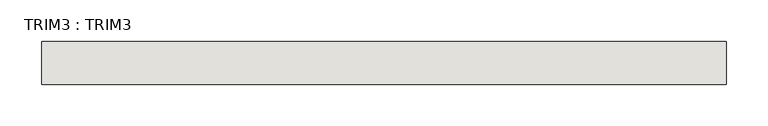
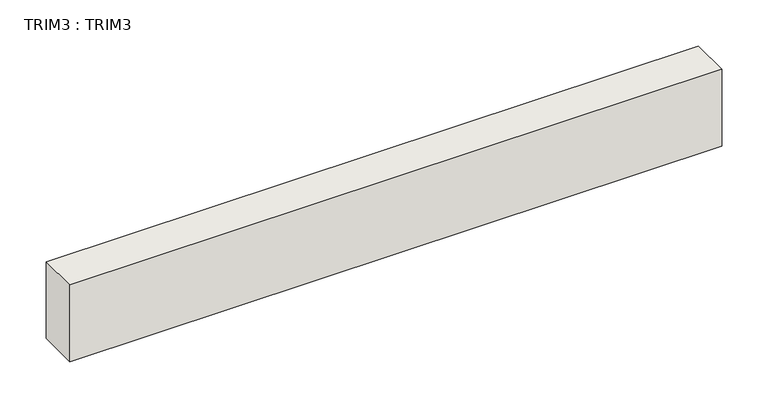
"""IFC4 building model written with IfcOpenShell, lengths in millimetres: wall geometry, TRIM3 : TRIM3."""

import ifcopenshell
import ifcopenshell.guid

model = None  # the IFC model being written
_history = None  # IfcOwnerHistory: only IFC2X3 demands one
_inside = {}  # id of a spatial element -> (the spatial element, [elements in it])
_under = {}  # id of a project, library or spatial element -> (it, [spatial elements below it])
_declared = {}  # id of a project -> (the project, [libraries it declares])
_typed = {}  # id of a type object -> (the type object, [elements of that type])
_made_of = {}  # id of a material, layer set ... -> (it, [elements and type objects made of it])


def new_model(schema):
    """Start an empty IFC model of exactly this schema.

    Asked for "IFC4X3", IfcOpenShell would pick the latest addendum, in which some entities
    have other attributes; the version numbers below select the first issue.
    IFC2X3 requires an IfcOwnerHistory on every rooted entity: one is made here for all.
    """
    global model, _history
    if schema == "IFC4X3":
        model = ifcopenshell.file(schema_version=(4, 3, 0, 0))
    else:
        model = ifcopenshell.file(schema=schema)
    _inside.clear()
    _under.clear()
    _declared.clear()
    _typed.clear()
    _made_of.clear()
    _history = None
    if model.schema == "IFC2X3":
        org = make("IfcOrganization", Name="unknown")
        user = make(
            "IfcPersonAndOrganization",
            ThePerson=make("IfcPerson", FamilyName="unknown"),
            TheOrganization=org,
        )
        app = make(
            "IfcApplication",
            ApplicationDeveloper=org,
            Version="unknown",
            ApplicationFullName="unknown",
            ApplicationIdentifier="unknown",
        )
        _history = make(
            "IfcOwnerHistory",
            OwningUser=user,
            OwningApplication=app,
            ChangeAction="ADDED",
            CreationDate=0,
        )
    return model


def make(cls, **values):
    """One entity of the class cls with the attributes given. An attribute that is None is left unset."""
    return model.create_entity(
        cls, **{name: value for name, value in values.items() if value is not None}
    )


def rooted(cls, **values):
    """An entity with a GlobalId (a new one), such as an element, a storey or a relation."""
    return make(cls, GlobalId=ifcopenshell.guid.new(), OwnerHistory=_history, **values)


def si_unit(unit_type, name, prefix=None):
    """IfcSIUnit, for example si_unit("LENGTHUNIT", "METRE", prefix="MILLI")."""
    return make("IfcSIUnit", UnitType=unit_type, Prefix=prefix, Name=name)


def assignment(units):
    """IfcUnitAssignment: the units of a project."""
    return None if units is None else make("IfcUnitAssignment", Units=units)


def point(xyz):
    """IfcCartesianPoint."""
    return None if xyz is None else make("IfcCartesianPoint", Coordinates=xyz)


def direction(xyz):
    """IfcDirection."""
    return None if xyz is None else make("IfcDirection", DirectionRatios=xyz)


def frame(location, z_axis=None, x_axis=None):
    """IfcAxis2Placement3D, a coordinate frame: its origin and axes. An axis left out is left unset."""
    return make(
        "IfcAxis2Placement3D",
        Location=point(location),
        Axis=direction(z_axis),
        RefDirection=direction(x_axis),
    )


def origin():
    """The frame at (0, 0, 0) with its axes left unset."""
    return frame((0.0, 0.0, 0.0))


def place(relative_to, where):
    """IfcLocalPlacement: puts the frame where relative to a parent placement (None: the world)."""
    return make(
        "IfcLocalPlacement", PlacementRelTo=relative_to, RelativePlacement=where
    )


def context(
    kind, dimensions, precision=None, world=None, true_north=None, identifier=None
):
    """IfcGeometricRepresentationContext, for example the 3D "Model" context."""
    return make(
        "IfcGeometricRepresentationContext",
        ContextIdentifier=identifier,
        ContextType=kind,
        CoordinateSpaceDimension=dimensions,
        Precision=precision,
        WorldCoordinateSystem=world,
        TrueNorth=true_north,
    )


def project(units=None, contexts=None):
    """IfcProject with its units and contexts."""
    return rooted(
        "IfcProject",
        Name="project",
        RepresentationContexts=contexts,
        UnitsInContext=assignment(units),
    )


def spatial(cls, under=None, at=None, **own):
    """A site, building, storey or space (cls), placed at a placement, below another one or the project."""
    s = rooted(cls, ObjectPlacement=at, **own)
    if under is not None:
        _under.setdefault(under.id(), (under, []))[1].append(s)
    return s


def polyline(points):
    """IfcPolyline through the points."""
    return make("IfcPolyline", Points=[point(p) for p in points])


def outline(outer, holes=None, kind="AREA"):
    """IfcArbitraryClosedProfileDef: a profile drawn as a closed curve; with holes, ...WithVoids."""
    if holes is None:
        return make("IfcArbitraryClosedProfileDef", ProfileType=kind, OuterCurve=outer)
    return make(
        "IfcArbitraryProfileDefWithVoids",
        ProfileType=kind,
        OuterCurve=outer,
        InnerCurves=holes,
    )


def extrude(swept, where, along, depth):
    """IfcExtrudedAreaSolid: the profile swept, set in the frame where, extruded along a direction by depth."""
    return make(
        "IfcExtrudedAreaSolid",
        SweptArea=swept,
        Position=where,
        ExtrudedDirection=direction(along),
        Depth=depth,
    )


def shape(context_of_items, identifier, shape_type, items):
    """IfcShapeRepresentation: the items that make up one representation, for example the "Body"."""
    return make(
        "IfcShapeRepresentation",
        ContextOfItems=context_of_items,
        RepresentationIdentifier=identifier,
        RepresentationType=shape_type,
        Items=items,
    )


def source(mapping_origin, context_of_items, identifier, shape_type, items):
    """IfcRepresentationMap: a shape defined once, which mapped items show again and again."""
    return make(
        "IfcRepresentationMap",
        MappingOrigin=mapping_origin,
        MappedRepresentation=shape(context_of_items, identifier, shape_type, items),
    )


def transform(
    local_origin,
    x_axis=None,
    y_axis=None,
    z_axis=None,
    scale=None,
    scale2=None,
    scale3=None,
    uniform=True,
):
    """IfcCartesianTransformationOperator3D, or its non-uniform kind. x_axis, y_axis, z_axis: its Axis1, 2, 3."""
    if uniform:
        return make(
            "IfcCartesianTransformationOperator3D",
            Axis1=direction(x_axis),
            Axis2=direction(y_axis),
            LocalOrigin=point(local_origin),
            Scale=scale,
            Axis3=direction(z_axis),
        )
    return make(
        "IfcCartesianTransformationOperator3DnonUniform",
        Axis1=direction(x_axis),
        Axis2=direction(y_axis),
        LocalOrigin=point(local_origin),
        Scale=scale,
        Axis3=direction(z_axis),
        Scale2=scale2,
        Scale3=scale3,
    )


def mapped(mapping_source, mapping_target):
    """IfcMappedItem: shows the shape of a source again, moved by a transform."""
    return make(
        "IfcMappedItem", MappingSource=mapping_source, MappingTarget=mapping_target
    )


def made_of(thing, what):
    """Note that an element or type object is made of a material, layer set ...; save() writes the relation."""
    if what is not None:
        _made_of.setdefault(what.id(), (what, []))[1].append(thing)
    return thing


def element(
    cls,
    number,
    at=None,
    inside=None,
    cuts=None,
    type_object=None,
    material=None,
    context=None,
    identifier="Body",
    shape_type=None,
    held_by="IfcProductDefinitionShape",
    body=None,
    shapes=None,
    **own,
):
    """One element of the class cls, such as IfcWall. Its Tag is "e" and its number.

    at: its placement. inside: the storey or other place that contains it. cuts: it is an
    opening in that element (IfcRelVoidsElement). A single representation is given by context,
    identifier, shape_type and body (its items); several are given by shapes. held_by: the class
    of the entity that holds the representations. save() writes the other relations.
    """
    e = rooted(cls, Tag="e%d" % number, ObjectPlacement=at, **own)
    if body is not None:
        shapes = [shape(context, identifier, shape_type, body)]
    if shapes is not None:
        e.Representation = make(held_by, Representations=shapes)
    if inside is not None:
        _inside.setdefault(inside.id(), (inside, []))[1].append(e)
    if cuts is not None:
        rooted(
            "IfcRelVoidsElement", RelatingBuildingElement=cuts, RelatedOpeningElement=e
        )
    if type_object is not None:
        _typed.setdefault(type_object.id(), (type_object, []))[1].append(e)
    return made_of(e, material)


def aggregate(whole, parts):
    """IfcRelAggregates: a whole, such as a stair, and the parts it consists of."""
    return rooted("IfcRelAggregates", RelatingObject=whole, RelatedObjects=parts)


def save(model, path):
    """Write the relations noted so far, then the file.

    IfcRelAggregates (storeys below a building ...), IfcRelContainedInSpatialStructure (elements
    in a storey), IfcRelDefinesByType, IfcRelAssociatesMaterial and IfcRelDeclares: one each for
    every whole, place, type object, material and project.
    """
    for whole, parts in _under.values():
        aggregate(whole, parts)
    for where, things in _inside.values():
        rooted(
            "IfcRelContainedInSpatialStructure",
            RelatedElements=things,
            RelatingStructure=where,
        )
    for kind, things in _typed.values():
        rooted("IfcRelDefinesByType", RelatedObjects=things, RelatingType=kind)
    for what, things in _made_of.values():
        rooted("IfcRelAssociatesMaterial", RelatedObjects=things, RelatingMaterial=what)
    for by, libraries in _declared.values():
        rooted("IfcRelDeclares", RelatingContext=by, RelatedDefinitions=libraries)
    model.write(path)


def trim3_trim3_894d5c16(model_context):
    return source(origin(), model_context, "Body", "SweptSolid", [
        extrude(outline(polyline([(-15234.0466415, -354.1267035), (-16050.0216415, -354.1267035), (-16050.0216415, -303.3267035), (-15234.0466415, -303.3267035), (-15234.0466415, -354.1267035)])), frame((0.0, 0.0, 5365.75), z_axis=(0.0, 0.0, 1.0), x_axis=(1.0, 0.0, 0.0)), (0.0, 0.0, 1.0), 101.6),
    ])


if __name__ == "__main__":
    model = new_model("IFC4")
    model_context = context("Model", 3, world=origin())
    ifc_project = project(units=[si_unit("LENGTHUNIT", "METRE", prefix="MILLI")], contexts=[model_context])
    site = spatial("IfcSite", under=ifc_project)
    building = spatial("IfcBuilding", under=site)
    placement = place(None, origin())
    trim3_trim3_shape = trim3_trim3_894d5c16(model_context)
    element("IfcWall", 1, ObjectType="TRIM3 : TRIM3", at=placement, inside=building, context=model_context, shape_type="MappedRepresentation", body=[
        mapped(trim3_trim3_shape, transform((0.0, 0.0, 0.0), x_axis=(1.0, 0.0, 0.0), y_axis=(0.0, 1.0, 0.0), z_axis=(0.0, 0.0, 1.0))),
    ])
    save(model, "model.ifc")
